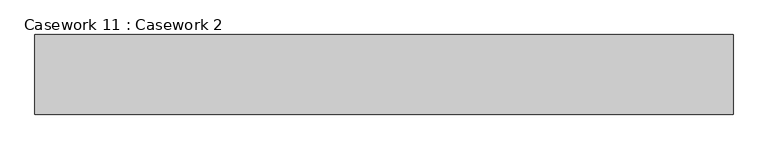
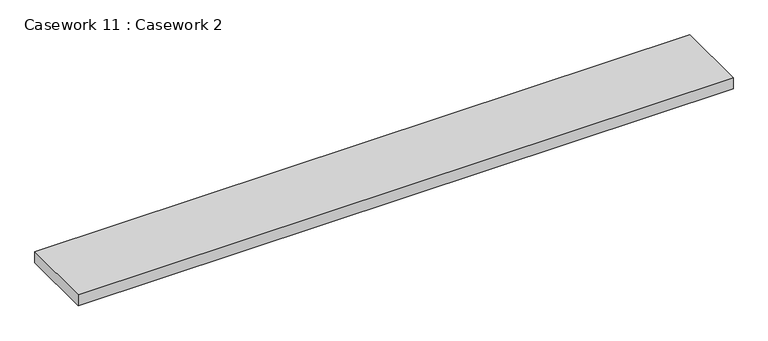
"""IFC4 building model written with IfcOpenShell, lengths in millimetres: furniture geometry, Casework 11 : Casework 2."""

import ifcopenshell
import ifcopenshell.guid

model = None  # the IFC model being written
_history = None  # IfcOwnerHistory: only IFC2X3 demands one
_inside = {}  # id of a spatial element -> (the spatial element, [elements in it])
_under = {}  # id of a project, library or spatial element -> (it, [spatial elements below it])
_declared = {}  # id of a project -> (the project, [libraries it declares])
_typed = {}  # id of a type object -> (the type object, [elements of that type])
_made_of = {}  # id of a material, layer set ... -> (it, [elements and type objects made of it])


def new_model(schema):
    """Start an empty IFC model of exactly this schema.

    Asked for "IFC4X3", IfcOpenShell would pick the latest addendum, in which some entities
    have other attributes; the version numbers below select the first issue.
    IFC2X3 requires an IfcOwnerHistory on every rooted entity: one is made here for all.
    """
    global model, _history
    if schema == "IFC4X3":
        model = ifcopenshell.file(schema_version=(4, 3, 0, 0))
    else:
        model = ifcopenshell.file(schema=schema)
    _inside.clear()
    _under.clear()
    _declared.clear()
    _typed.clear()
    _made_of.clear()
    _history = None
    if model.schema == "IFC2X3":
        org = make("IfcOrganization", Name="unknown")
        user = make(
            "IfcPersonAndOrganization",
            ThePerson=make("IfcPerson", FamilyName="unknown"),
            TheOrganization=org,
        )
        app = make(
            "IfcApplication",
            ApplicationDeveloper=org,
            Version="unknown",
            ApplicationFullName="unknown",
            ApplicationIdentifier="unknown",
        )
        _history = make(
            "IfcOwnerHistory",
            OwningUser=user,
            OwningApplication=app,
            ChangeAction="ADDED",
            CreationDate=0,
        )
    return model


def make(cls, **values):
    """One entity of the class cls with the attributes given. An attribute that is None is left unset."""
    return model.create_entity(
        cls, **{name: value for name, value in values.items() if value is not None}
    )


def rooted(cls, **values):
    """An entity with a GlobalId (a new one), such as an element, a storey or a relation."""
    return make(cls, GlobalId=ifcopenshell.guid.new(), OwnerHistory=_history, **values)


def si_unit(unit_type, name, prefix=None):
    """IfcSIUnit, for example si_unit("LENGTHUNIT", "METRE", prefix="MILLI")."""
    return make("IfcSIUnit", UnitType=unit_type, Prefix=prefix, Name=name)


def assignment(units):
    """IfcUnitAssignment: the units of a project."""
    return None if units is None else make("IfcUnitAssignment", Units=units)


def point(xyz):
    """IfcCartesianPoint."""
    return None if xyz is None else make("IfcCartesianPoint", Coordinates=xyz)


def direction(xyz):
    """IfcDirection."""
    return None if xyz is None else make("IfcDirection", DirectionRatios=xyz)


def frame(location, z_axis=None, x_axis=None):
    """IfcAxis2Placement3D, a coordinate frame: its origin and axes. An axis left out is left unset."""
    return make(
        "IfcAxis2Placement3D",
        Location=point(location),
        Axis=direction(z_axis),
        RefDirection=direction(x_axis),
    )


def origin():
    """The frame at (0, 0, 0) with its axes left unset."""
    return frame((0.0, 0.0, 0.0))


def place(relative_to, where):
    """IfcLocalPlacement: puts the frame where relative to a parent placement (None: the world)."""
    return make(
        "IfcLocalPlacement", PlacementRelTo=relative_to, RelativePlacement=where
    )


def context(
    kind, dimensions, precision=None, world=None, true_north=None, identifier=None
):
    """IfcGeometricRepresentationContext, for example the 3D "Model" context."""
    return make(
        "IfcGeometricRepresentationContext",
        ContextIdentifier=identifier,
        ContextType=kind,
        CoordinateSpaceDimension=dimensions,
        Precision=precision,
        WorldCoordinateSystem=world,
        TrueNorth=true_north,
    )


def project(units=None, contexts=None):
    """IfcProject with its units and contexts."""
    return rooted(
        "IfcProject",
        Name="project",
        RepresentationContexts=contexts,
        UnitsInContext=assignment(units),
    )


def spatial(cls, under=None, at=None, **own):
    """A site, building, storey or space (cls), placed at a placement, below another one or the project."""
    s = rooted(cls, ObjectPlacement=at, **own)
    if under is not None:
        _under.setdefault(under.id(), (under, []))[1].append(s)
    return s


def polyline(points):
    """IfcPolyline through the points."""
    return make("IfcPolyline", Points=[point(p) for p in points])


def outline(outer, holes=None, kind="AREA"):
    """IfcArbitraryClosedProfileDef: a profile drawn as a closed curve; with holes, ...WithVoids."""
    if holes is None:
        return make("IfcArbitraryClosedProfileDef", ProfileType=kind, OuterCurve=outer)
    return make(
        "IfcArbitraryProfileDefWithVoids",
        ProfileType=kind,
        OuterCurve=outer,
        InnerCurves=holes,
    )


def extrude(swept, where, along, depth):
    """IfcExtrudedAreaSolid: the profile swept, set in the frame where, extruded along a direction by depth."""
    return make(
        "IfcExtrudedAreaSolid",
        SweptArea=swept,
        Position=where,
        ExtrudedDirection=direction(along),
        Depth=depth,
    )


def shape(context_of_items, identifier, shape_type, items):
    """IfcShapeRepresentation: the items that make up one representation, for example the "Body"."""
    return make(
        "IfcShapeRepresentation",
        ContextOfItems=context_of_items,
        RepresentationIdentifier=identifier,
        RepresentationType=shape_type,
        Items=items,
    )


def source(mapping_origin, context_of_items, identifier, shape_type, items):
    """IfcRepresentationMap: a shape defined once, which mapped items show again and again."""
    return make(
        "IfcRepresentationMap",
        MappingOrigin=mapping_origin,
        MappedRepresentation=shape(context_of_items, identifier, shape_type, items),
    )


def transform(
    local_origin,
    x_axis=None,
    y_axis=None,
    z_axis=None,
    scale=None,
    scale2=None,
    scale3=None,
    uniform=True,
):
    """IfcCartesianTransformationOperator3D, or its non-uniform kind. x_axis, y_axis, z_axis: its Axis1, 2, 3."""
    if uniform:
        return make(
            "IfcCartesianTransformationOperator3D",
            Axis1=direction(x_axis),
            Axis2=direction(y_axis),
            LocalOrigin=point(local_origin),
            Scale=scale,
            Axis3=direction(z_axis),
        )
    return make(
        "IfcCartesianTransformationOperator3DnonUniform",
        Axis1=direction(x_axis),
        Axis2=direction(y_axis),
        LocalOrigin=point(local_origin),
        Scale=scale,
        Axis3=direction(z_axis),
        Scale2=scale2,
        Scale3=scale3,
    )


def mapped(mapping_source, mapping_target):
    """IfcMappedItem: shows the shape of a source again, moved by a transform."""
    return make(
        "IfcMappedItem", MappingSource=mapping_source, MappingTarget=mapping_target
    )


def made_of(thing, what):
    """Note that an element or type object is made of a material, layer set ...; save() writes the relation."""
    if what is not None:
        _made_of.setdefault(what.id(), (what, []))[1].append(thing)
    return thing


def element(
    cls,
    number,
    at=None,
    inside=None,
    cuts=None,
    type_object=None,
    material=None,
    context=None,
    identifier="Body",
    shape_type=None,
    held_by="IfcProductDefinitionShape",
    body=None,
    shapes=None,
    **own,
):
    """One element of the class cls, such as IfcWall. Its Tag is "e" and its number.

    at: its placement. inside: the storey or other place that contains it. cuts: it is an
    opening in that element (IfcRelVoidsElement). A single representation is given by context,
    identifier, shape_type and body (its items); several are given by shapes. held_by: the class
    of the entity that holds the representations. save() writes the other relations.
    """
    e = rooted(cls, Tag="e%d" % number, ObjectPlacement=at, **own)
    if body is not None:
        shapes = [shape(context, identifier, shape_type, body)]
    if shapes is not None:
        e.Representation = make(held_by, Representations=shapes)
    if inside is not None:
        _inside.setdefault(inside.id(), (inside, []))[1].append(e)
    if cuts is not None:
        rooted(
            "IfcRelVoidsElement", RelatingBuildingElement=cuts, RelatedOpeningElement=e
        )
    if type_object is not None:
        _typed.setdefault(type_object.id(), (type_object, []))[1].append(e)
    return made_of(e, material)


def aggregate(whole, parts):
    """IfcRelAggregates: a whole, such as a stair, and the parts it consists of."""
    return rooted("IfcRelAggregates", RelatingObject=whole, RelatedObjects=parts)


def save(model, path):
    """Write the relations noted so far, then the file.

    IfcRelAggregates (storeys below a building ...), IfcRelContainedInSpatialStructure (elements
    in a storey), IfcRelDefinesByType, IfcRelAssociatesMaterial and IfcRelDeclares: one each for
    every whole, place, type object, material and project.
    """
    for whole, parts in _under.values():
        aggregate(whole, parts)
    for where, things in _inside.values():
        rooted(
            "IfcRelContainedInSpatialStructure",
            RelatedElements=things,
            RelatingStructure=where,
        )
    for kind, things in _typed.values():
        rooted("IfcRelDefinesByType", RelatedObjects=things, RelatingType=kind)
    for what, things in _made_of.values():
        rooted("IfcRelAssociatesMaterial", RelatedObjects=things, RelatingMaterial=what)
    for by, libraries in _declared.values():
        rooted("IfcRelDeclares", RelatingContext=by, RelatedDefinitions=libraries)
    model.write(path)


def casework_11_casework_2_48c03def(model_context):
    return source(origin(), model_context, "Body", "SweptSolid", [
        extrude(outline(polyline([(-142625.8819878, 62310.965723), (-142625.8819878, 61985.0361016), (-145483.3227397, 61985.0361016), (-145483.3227397, 62310.965723), (-142625.8819878, 62310.965723)])), frame((0.0, 0.0, 995.2155416), z_axis=(0.0, 0.0, 1.0), x_axis=(1.0, 0.0, 0.0)), (0.0, 0.0, 1.0), 51.1844584),
    ])


if __name__ == "__main__":
    model = new_model("IFC4")
    model_context = context("Model", 3, world=origin())
    ifc_project = project(units=[si_unit("LENGTHUNIT", "METRE", prefix="MILLI")], contexts=[model_context])
    site = spatial("IfcSite", under=ifc_project)
    building = spatial("IfcBuilding", under=site)
    placement = place(None, origin())
    casework_11_casework_2_shape = casework_11_casework_2_48c03def(model_context)
    element("IfcFurniture", 1, ObjectType="Casework 11 : Casework 2", at=placement, inside=building, context=model_context, shape_type="MappedRepresentation", body=[
        mapped(casework_11_casework_2_shape, transform((0.0, 0.0, 0.0), x_axis=(1.0, 0.0, 0.0), y_axis=(0.0, 1.0, 0.0), z_axis=(0.0, 0.0, 1.0))),
    ])
    save(model, "model.ifc")
